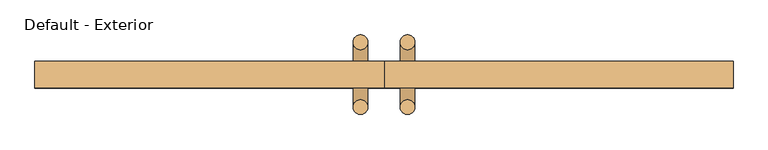
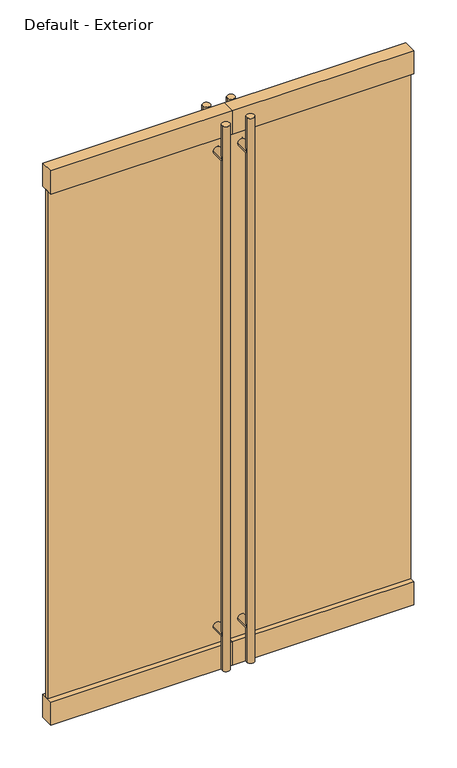
"""IFC4 building model written with IfcOpenShell, lengths in millimetres: door geometry, Default - Exterior."""

from ifc_helpers import new_model, si_unit, point, frame, frame_2d, origin, origin_with_axes, place, context, project, spatial, polyline, circle_curve, trimmed, segment, composite_curve, outline, extrude, source, transform, mapped, element, save


def default_exterior_cd6fc33b(model_context):
    return source(origin(), model_context, "Body", "SweptSolid", [
        extrude(outline(composite_curve([segment(trimmed(circle_curve(frame_2d((2260.6, -50.8)), 15.875), [point((2260.6, -34.925))], [point((2260.6, -66.675))], False, "CARTESIAN"), True, "CONTINUOUS"), segment(trimmed(circle_curve(frame_2d((2260.6, -50.8)), 15.875), [point((2260.6, -66.675))], [point((2260.6, -34.925))], False, "CARTESIAN"), True, "CONTINUOUS")], self_intersect=False)), frame((0.0, -98.425, 0.0), z_axis=(0.0, 1.0, 0.0), x_axis=(0.0, 0.0, 1.0)), (0.0, 0.0, 1.0), 139.7),
        extrude(outline(composite_curve([segment(trimmed(circle_curve(frame_2d((177.8, -50.8)), 15.875), [point((177.8, -34.925))], [point((177.8, -66.675))], False, "CARTESIAN"), True, "CONTINUOUS"), segment(trimmed(circle_curve(frame_2d((177.8, -50.8)), 15.875), [point((177.8, -66.675))], [point((177.8, -34.925))], False, "CARTESIAN"), True, "CONTINUOUS")], self_intersect=False)), frame((0.0, -98.425, 0.0), z_axis=(0.0, 1.0, 0.0), x_axis=(0.0, 0.0, 1.0)), (0.0, 0.0, 1.0), 139.7),
        extrude(outline(composite_curve([segment(trimmed(circle_curve(frame_2d((-50.8, -98.425)), 15.875), [point((-34.925, -98.425))], [point((-66.675, -98.425))], False, "CARTESIAN"), True, "CONTINUOUS"), segment(trimmed(circle_curve(frame_2d((-50.8, -98.425)), 15.875), [point((-66.675, -98.425))], [point((-34.925, -98.425))], False, "CARTESIAN"), True, "CONTINUOUS")], self_intersect=False)), frame((0.0, 0.0, 25.4), z_axis=(0.0, 0.0, 1.0), x_axis=(1.0, 0.0, 0.0)), (0.0, 0.0, 1.0), 2387.6),
        extrude(outline(composite_curve([segment(trimmed(circle_curve(frame_2d((-50.8, 41.275)), 15.875), [point((-34.925, 41.275))], [point((-66.675, 41.275))], False, "CARTESIAN"), True, "CONTINUOUS"), segment(trimmed(circle_curve(frame_2d((-50.8, 41.275)), 15.875), [point((-66.675, 41.275))], [point((-34.925, 41.275))], False, "CARTESIAN"), True, "CONTINUOUS")], self_intersect=False)), frame((0.0, 0.0, 25.4), z_axis=(0.0, 0.0, 1.0), x_axis=(1.0, 0.0, 0.0)), (0.0, 0.0, 1.0), 2387.6),
        extrude(outline(composite_curve([segment(trimmed(circle_curve(frame_2d((2260.6, 50.8)), 15.875), [point((2260.6, 34.925))], [point((2260.6, 66.675))], False, "CARTESIAN"), True, "CONTINUOUS"), segment(trimmed(circle_curve(frame_2d((2260.6, 50.8)), 15.875), [point((2260.6, 66.675))], [point((2260.6, 34.925))], False, "CARTESIAN"), True, "CONTINUOUS")], self_intersect=False)), frame((0.0, -98.425, 0.0), z_axis=(0.0, 1.0, 0.0), x_axis=(0.0, 0.0, 1.0)), (0.0, 0.0, 1.0), 139.7),
        extrude(outline(composite_curve([segment(trimmed(circle_curve(frame_2d((177.8, 50.8)), 15.875), [point((177.8, 34.925))], [point((177.8, 66.675))], False, "CARTESIAN"), True, "CONTINUOUS"), segment(trimmed(circle_curve(frame_2d((177.8, 50.8)), 15.875), [point((177.8, 66.675))], [point((177.8, 34.925))], False, "CARTESIAN"), True, "CONTINUOUS")], self_intersect=False)), frame((0.0, -98.425, 0.0), z_axis=(0.0, 1.0, 0.0), x_axis=(0.0, 0.0, 1.0)), (0.0, 0.0, 1.0), 139.7),
        extrude(outline(composite_curve([segment(trimmed(circle_curve(frame_2d((50.8, -98.425)), 15.875), [point((34.925, -98.425))], [point((66.675, -98.425))], False, "CARTESIAN"), True, "CONTINUOUS"), segment(trimmed(circle_curve(frame_2d((50.8, -98.425)), 15.875), [point((66.675, -98.425))], [point((34.925, -98.425))], False, "CARTESIAN"), True, "CONTINUOUS")], self_intersect=False)), frame((0.0, 0.0, 25.4), z_axis=(0.0, 0.0, 1.0), x_axis=(1.0, 0.0, 0.0)), (0.0, 0.0, 1.0), 2387.6),
        extrude(outline(composite_curve([segment(trimmed(circle_curve(frame_2d((50.8, 41.275)), 15.875), [point((34.925, 41.275))], [point((66.675, 41.275))], False, "CARTESIAN"), True, "CONTINUOUS"), segment(trimmed(circle_curve(frame_2d((50.8, 41.275)), 15.875), [point((66.675, 41.275))], [point((34.925, 41.275))], False, "CARTESIAN"), True, "CONTINUOUS")], self_intersect=False)), frame((0.0, 0.0, 25.4), z_axis=(0.0, 0.0, 1.0), x_axis=(1.0, 0.0, 0.0)), (0.0, 0.0, 1.0), 2387.6),
        extrude(outline(polyline([(-752.475, -57.15), (-752.475, 0.0), (0.0, 0.0), (0.0, -57.15), (-752.475, -57.15)])), frame((0.0, 0.0, 2327.275), z_axis=(0.0, 0.0, 1.0), x_axis=(1.0, 0.0, 0.0)), (0.0, 0.0, 1.0), 101.6),
        extrude(outline(polyline([(-752.475, -57.15), (-752.475, 0.0), (0.0, 0.0), (0.0, -57.15), (-752.475, -57.15)])), origin_with_axes(), (0.0, 0.0, 1.0), 101.6),
        extrude(outline(polyline([(-752.475, -34.925), (-752.475, -22.225), (0.0, -22.225), (0.0, -34.925), (-752.475, -34.925)])), frame((0.0, 0.0, 101.6), z_axis=(0.0, 0.0, 1.0), x_axis=(1.0, 0.0, 0.0)), (0.0, 0.0, 1.0), 2225.675),
        extrude(outline(polyline([(752.475, -57.15), (0.0, -57.15), (0.0, 0.0), (752.475, 0.0), (752.475, -57.15)])), frame((0.0, 0.0, 2327.275), z_axis=(0.0, 0.0, 1.0), x_axis=(1.0, 0.0, 0.0)), (0.0, 0.0, 1.0), 101.6),
        extrude(outline(polyline([(752.475, -57.15), (0.0, -57.15), (0.0, 0.0), (752.475, 0.0), (752.475, -57.15)])), origin_with_axes(), (0.0, 0.0, 1.0), 101.6),
        extrude(outline(polyline([(752.475, -34.925), (0.0, -34.925), (0.0, -22.225), (752.475, -22.225), (752.475, -34.925)])), frame((0.0, 0.0, 101.6), z_axis=(0.0, 0.0, 1.0), x_axis=(1.0, 0.0, 0.0)), (0.0, 0.0, 1.0), 2225.675),
    ])


if __name__ == "__main__":
    model = new_model("IFC4")
    model_context = context("Model", 3, world=origin())
    ifc_project = project(units=[si_unit("LENGTHUNIT", "METRE", prefix="MILLI")], contexts=[model_context])
    site = spatial("IfcSite", under=ifc_project)
    building = spatial("IfcBuilding", under=site)
    placement = place(None, origin())
    default_exterior_shape = default_exterior_cd6fc33b(model_context)
    element("IfcDoor", 1, ObjectType="Default - Exterior", at=placement, inside=building, context=model_context, shape_type="MappedRepresentation", body=[
        mapped(default_exterior_shape, transform((0.0, 0.0, 0.0), x_axis=(1.0, 0.0, 0.0), y_axis=(0.0, 1.0, 0.0), z_axis=(0.0, 0.0, 1.0))),
    ])
    save(model, "model.ifc")
